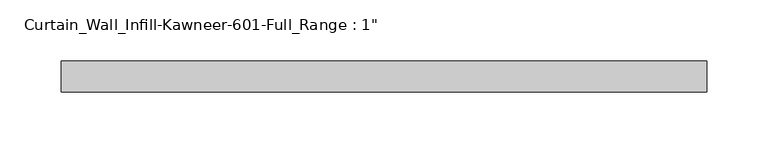
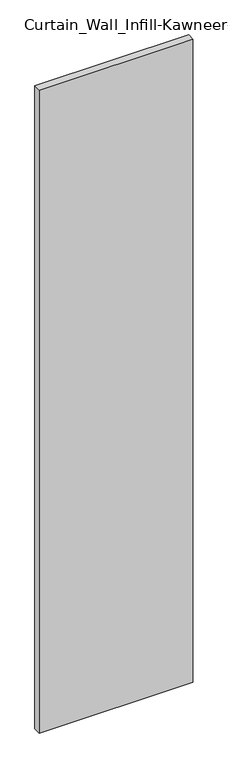
"""IFC4 building model written with IfcOpenShell, lengths in millimetres: plate geometry."""

import ifcopenshell
import ifcopenshell.guid

model = None  # the IFC model being written
_history = None  # IfcOwnerHistory: only IFC2X3 demands one
_inside = {}  # id of a spatial element -> (the spatial element, [elements in it])
_under = {}  # id of a project, library or spatial element -> (it, [spatial elements below it])
_declared = {}  # id of a project -> (the project, [libraries it declares])
_typed = {}  # id of a type object -> (the type object, [elements of that type])
_made_of = {}  # id of a material, layer set ... -> (it, [elements and type objects made of it])


def new_model(schema):
    """Start an empty IFC model of exactly this schema.

    Asked for "IFC4X3", IfcOpenShell would pick the latest addendum, in which some entities
    have other attributes; the version numbers below select the first issue.
    IFC2X3 requires an IfcOwnerHistory on every rooted entity: one is made here for all.
    """
    global model, _history
    if schema == "IFC4X3":
        model = ifcopenshell.file(schema_version=(4, 3, 0, 0))
    else:
        model = ifcopenshell.file(schema=schema)
    _inside.clear()
    _under.clear()
    _declared.clear()
    _typed.clear()
    _made_of.clear()
    _history = None
    if model.schema == "IFC2X3":
        org = make("IfcOrganization", Name="unknown")
        user = make(
            "IfcPersonAndOrganization",
            ThePerson=make("IfcPerson", FamilyName="unknown"),
            TheOrganization=org,
        )
        app = make(
            "IfcApplication",
            ApplicationDeveloper=org,
            Version="unknown",
            ApplicationFullName="unknown",
            ApplicationIdentifier="unknown",
        )
        _history = make(
            "IfcOwnerHistory",
            OwningUser=user,
            OwningApplication=app,
            ChangeAction="ADDED",
            CreationDate=0,
        )
    return model


def make(cls, **values):
    """One entity of the class cls with the attributes given. An attribute that is None is left unset."""
    return model.create_entity(
        cls, **{name: value for name, value in values.items() if value is not None}
    )


def rooted(cls, **values):
    """An entity with a GlobalId (a new one), such as an element, a storey or a relation."""
    return make(cls, GlobalId=ifcopenshell.guid.new(), OwnerHistory=_history, **values)


def si_unit(unit_type, name, prefix=None):
    """IfcSIUnit, for example si_unit("LENGTHUNIT", "METRE", prefix="MILLI")."""
    return make("IfcSIUnit", UnitType=unit_type, Prefix=prefix, Name=name)


def assignment(units):
    """IfcUnitAssignment: the units of a project."""
    return None if units is None else make("IfcUnitAssignment", Units=units)


def point(xyz):
    """IfcCartesianPoint."""
    return None if xyz is None else make("IfcCartesianPoint", Coordinates=xyz)


def direction(xyz):
    """IfcDirection."""
    return None if xyz is None else make("IfcDirection", DirectionRatios=xyz)


def frame(location, z_axis=None, x_axis=None):
    """IfcAxis2Placement3D, a coordinate frame: its origin and axes. An axis left out is left unset."""
    return make(
        "IfcAxis2Placement3D",
        Location=point(location),
        Axis=direction(z_axis),
        RefDirection=direction(x_axis),
    )


def origin():
    """The frame at (0, 0, 0) with its axes left unset."""
    return frame((0.0, 0.0, 0.0))


def origin_with_axes():
    """The frame at (0, 0, 0) with the z axis (0, 0, 1) and the x axis (1, 0, 0) written out."""
    return frame((0.0, 0.0, 0.0), z_axis=(0.0, 0.0, 1.0), x_axis=(1.0, 0.0, 0.0))


def place(relative_to, where):
    """IfcLocalPlacement: puts the frame where relative to a parent placement (None: the world)."""
    return make(
        "IfcLocalPlacement", PlacementRelTo=relative_to, RelativePlacement=where
    )


def context(
    kind, dimensions, precision=None, world=None, true_north=None, identifier=None
):
    """IfcGeometricRepresentationContext, for example the 3D "Model" context."""
    return make(
        "IfcGeometricRepresentationContext",
        ContextIdentifier=identifier,
        ContextType=kind,
        CoordinateSpaceDimension=dimensions,
        Precision=precision,
        WorldCoordinateSystem=world,
        TrueNorth=true_north,
    )


def project(units=None, contexts=None):
    """IfcProject with its units and contexts."""
    return rooted(
        "IfcProject",
        Name="project",
        RepresentationContexts=contexts,
        UnitsInContext=assignment(units),
    )


def spatial(cls, under=None, at=None, **own):
    """A site, building, storey or space (cls), placed at a placement, below another one or the project."""
    s = rooted(cls, ObjectPlacement=at, **own)
    if under is not None:
        _under.setdefault(under.id(), (under, []))[1].append(s)
    return s


def polyline(points):
    """IfcPolyline through the points."""
    return make("IfcPolyline", Points=[point(p) for p in points])


def outline(outer, holes=None, kind="AREA"):
    """IfcArbitraryClosedProfileDef: a profile drawn as a closed curve; with holes, ...WithVoids."""
    if holes is None:
        return make("IfcArbitraryClosedProfileDef", ProfileType=kind, OuterCurve=outer)
    return make(
        "IfcArbitraryProfileDefWithVoids",
        ProfileType=kind,
        OuterCurve=outer,
        InnerCurves=holes,
    )


def extrude(swept, where, along, depth):
    """IfcExtrudedAreaSolid: the profile swept, set in the frame where, extruded along a direction by depth."""
    return make(
        "IfcExtrudedAreaSolid",
        SweptArea=swept,
        Position=where,
        ExtrudedDirection=direction(along),
        Depth=depth,
    )


def shape(context_of_items, identifier, shape_type, items):
    """IfcShapeRepresentation: the items that make up one representation, for example the "Body"."""
    return make(
        "IfcShapeRepresentation",
        ContextOfItems=context_of_items,
        RepresentationIdentifier=identifier,
        RepresentationType=shape_type,
        Items=items,
    )


def source(mapping_origin, context_of_items, identifier, shape_type, items):
    """IfcRepresentationMap: a shape defined once, which mapped items show again and again."""
    return make(
        "IfcRepresentationMap",
        MappingOrigin=mapping_origin,
        MappedRepresentation=shape(context_of_items, identifier, shape_type, items),
    )


def transform(
    local_origin,
    x_axis=None,
    y_axis=None,
    z_axis=None,
    scale=None,
    scale2=None,
    scale3=None,
    uniform=True,
):
    """IfcCartesianTransformationOperator3D, or its non-uniform kind. x_axis, y_axis, z_axis: its Axis1, 2, 3."""
    if uniform:
        return make(
            "IfcCartesianTransformationOperator3D",
            Axis1=direction(x_axis),
            Axis2=direction(y_axis),
            LocalOrigin=point(local_origin),
            Scale=scale,
            Axis3=direction(z_axis),
        )
    return make(
        "IfcCartesianTransformationOperator3DnonUniform",
        Axis1=direction(x_axis),
        Axis2=direction(y_axis),
        LocalOrigin=point(local_origin),
        Scale=scale,
        Axis3=direction(z_axis),
        Scale2=scale2,
        Scale3=scale3,
    )


def mapped(mapping_source, mapping_target):
    """IfcMappedItem: shows the shape of a source again, moved by a transform."""
    return make(
        "IfcMappedItem", MappingSource=mapping_source, MappingTarget=mapping_target
    )


def made_of(thing, what):
    """Note that an element or type object is made of a material, layer set ...; save() writes the relation."""
    if what is not None:
        _made_of.setdefault(what.id(), (what, []))[1].append(thing)
    return thing


def element(
    cls,
    number,
    at=None,
    inside=None,
    cuts=None,
    type_object=None,
    material=None,
    context=None,
    identifier="Body",
    shape_type=None,
    held_by="IfcProductDefinitionShape",
    body=None,
    shapes=None,
    **own,
):
    """One element of the class cls, such as IfcWall. Its Tag is "e" and its number.

    at: its placement. inside: the storey or other place that contains it. cuts: it is an
    opening in that element (IfcRelVoidsElement). A single representation is given by context,
    identifier, shape_type and body (its items); several are given by shapes. held_by: the class
    of the entity that holds the representations. save() writes the other relations.
    """
    e = rooted(cls, Tag="e%d" % number, ObjectPlacement=at, **own)
    if body is not None:
        shapes = [shape(context, identifier, shape_type, body)]
    if shapes is not None:
        e.Representation = make(held_by, Representations=shapes)
    if inside is not None:
        _inside.setdefault(inside.id(), (inside, []))[1].append(e)
    if cuts is not None:
        rooted(
            "IfcRelVoidsElement", RelatingBuildingElement=cuts, RelatedOpeningElement=e
        )
    if type_object is not None:
        _typed.setdefault(type_object.id(), (type_object, []))[1].append(e)
    return made_of(e, material)


def aggregate(whole, parts):
    """IfcRelAggregates: a whole, such as a stair, and the parts it consists of."""
    return rooted("IfcRelAggregates", RelatingObject=whole, RelatedObjects=parts)


def save(model, path):
    """Write the relations noted so far, then the file.

    IfcRelAggregates (storeys below a building ...), IfcRelContainedInSpatialStructure (elements
    in a storey), IfcRelDefinesByType, IfcRelAssociatesMaterial and IfcRelDeclares: one each for
    every whole, place, type object, material and project.
    """
    for whole, parts in _under.values():
        aggregate(whole, parts)
    for where, things in _inside.values():
        rooted(
            "IfcRelContainedInSpatialStructure",
            RelatedElements=things,
            RelatingStructure=where,
        )
    for kind, things in _typed.values():
        rooted("IfcRelDefinesByType", RelatedObjects=things, RelatingType=kind)
    for what, things in _made_of.values():
        rooted("IfcRelAssociatesMaterial", RelatedObjects=things, RelatingMaterial=what)
    for by, libraries in _declared.values():
        rooted("IfcRelDeclares", RelatingContext=by, RelatedDefinitions=libraries)
    model.write(path)


def plate_e3928bb3(model_context):
    return source(origin(), model_context, "Body", "SweptSolid", [
        extrude(outline(polyline([(-263.3445532, 12.7), (263.3445532, 12.7), (263.3445532, -12.7), (-263.3445532, -12.7), (-263.3445532, 12.7)])), origin_with_axes(), (0.0, 0.0, 1.0), 2330.45),
    ])


if __name__ == "__main__":
    model = new_model("IFC4")
    model_context = context("Model", 3, world=origin())
    ifc_project = project(units=[si_unit("LENGTHUNIT", "METRE", prefix="MILLI")], contexts=[model_context])
    site = spatial("IfcSite", under=ifc_project)
    building = spatial("IfcBuilding", under=site)
    placement = place(None, origin())
    plate_shape = plate_e3928bb3(model_context)
    element("IfcPlate", 1, ObjectType="Curtain_Wall_Infill-Kawneer-601-Full_Range : 1\"", at=placement, inside=building, context=model_context, shape_type="MappedRepresentation", body=[
        mapped(plate_shape, transform((0.0, 0.0, 0.0), x_axis=(1.0, 0.0, 0.0), y_axis=(0.0, 1.0, 0.0), z_axis=(0.0, 0.0, 1.0))),
    ])
    save(model, "model.ifc")
